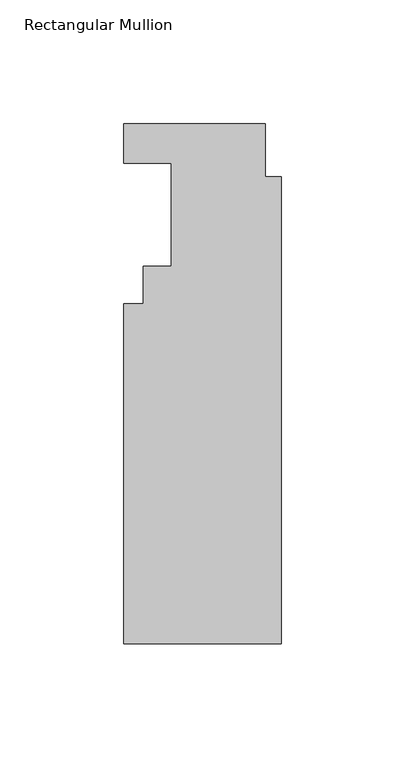
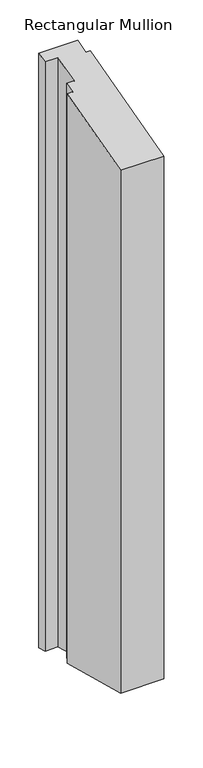
"""IFC4 building model written with IfcOpenShell, lengths in millimetres: member geometry, Rectangular Mullion."""

from ifc_helpers import new_model, si_unit, origin, place, context, project, spatial, faceted_brep, source, transform, mapped, element, save


def rectangular_mullion_4fdc8d1a(model_context):
    return source(origin(), model_context, "Body", "Brep", [
        faceted_brep([(-63.5, 4.746625, 1.2718543), (-63.5, 20.621625, 5.5255478), (-63.5, 20.621625, -926.4437887), (-63.5, 4.746625, -922.1900953), (-44.45, 4.746625, 1.2718543), (-44.45, 4.746625, -922.1900953), (-44.45, -36.909375, -9.8898372), (-44.45, -36.909375, -911.0284037), (-55.5752, -36.909375, -9.8898372), (-55.5752, -36.909375, -911.0284037), (-55.5752, -51.971575, -13.9257416), (-55.5752, -51.971575, -906.9924994), (-63.5, -51.971575, -13.9257416), (-63.5, -51.971575, -906.9924994), (-63.5, -189.309375, -50.7252942), (-63.5, -189.309375, -870.1929468), (0.0, -189.309375, -50.7252942), (0.0, -189.309375, -870.1929468), (0.0, -0.663575, -0.1778044), (0.0, -0.663575, -920.7404366), (-6.35, -0.663575, -0.1778044), (-6.35, -0.663575, -920.7404366), (-6.35, 20.621625, 5.5255478), (-6.35, 20.621625, -926.4437887)], [[[0, 1, 2, 3]], [[4, 0, 3, 5]], [[6, 4, 5, 7]], [[8, 6, 7, 9]], [[10, 8, 9, 11]], [[12, 10, 11, 13]], [[14, 12, 13, 15]], [[16, 14, 15, 17]], [[18, 16, 17, 19]], [[20, 18, 19, 21]], [[22, 20, 21, 23]], [[1, 22, 23, 2]], [[1, 0, 4, 6, 8, 10, 12, 14, 16, 18, 20, 22]], [[2, 23, 21, 19, 17, 15, 13, 11, 9, 7, 5, 3]]]),
    ])


if __name__ == "__main__":
    model = new_model("IFC4")
    model_context = context("Model", 3, world=origin())
    ifc_project = project(units=[si_unit("LENGTHUNIT", "METRE", prefix="MILLI")], contexts=[model_context])
    site = spatial("IfcSite", under=ifc_project)
    building = spatial("IfcBuilding", under=site)
    placement = place(None, origin())
    rectangular_mullion_shape = rectangular_mullion_4fdc8d1a(model_context)
    element("IfcMember", 1, ObjectType="Rectangular Mullion", at=placement, inside=building, context=model_context, shape_type="MappedRepresentation", body=[
        mapped(rectangular_mullion_shape, transform((0.0, 0.0, 0.0), x_axis=(1.0, 0.0, 0.0), y_axis=(0.0, 1.0, 0.0), z_axis=(0.0, 0.0, 1.0))),
    ])
    save(model, "model.ifc")
